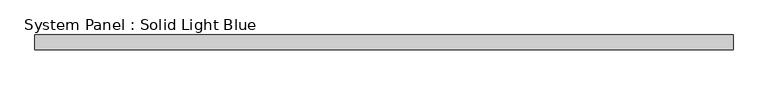
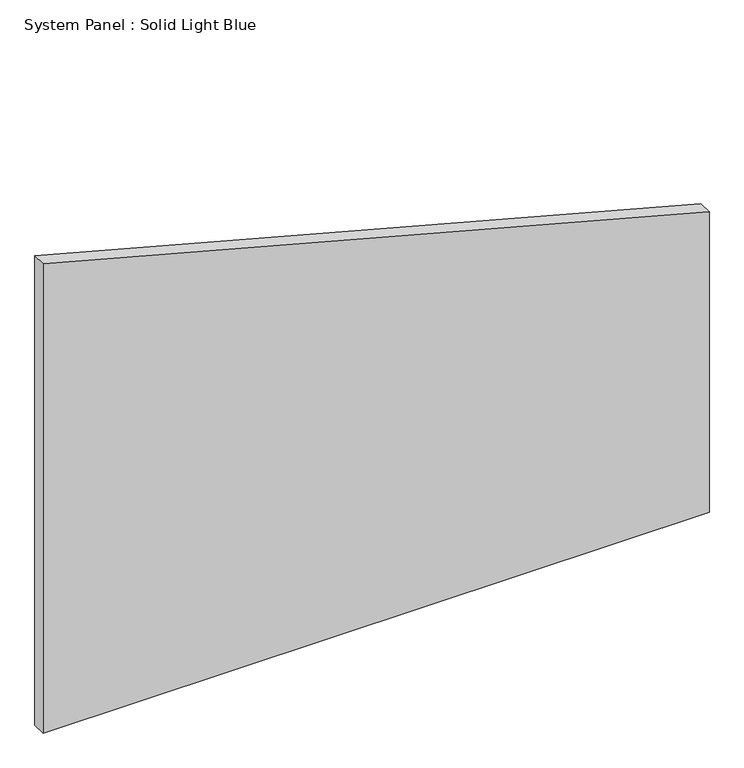
"""IFC4 building model written with IfcOpenShell, lengths in millimetres: plate geometry, System Panel : Solid Light Blue."""

import ifcopenshell
import ifcopenshell.guid

model = None  # the IFC model being written
_history = None  # IfcOwnerHistory: only IFC2X3 demands one
_inside = {}  # id of a spatial element -> (the spatial element, [elements in it])
_under = {}  # id of a project, library or spatial element -> (it, [spatial elements below it])
_declared = {}  # id of a project -> (the project, [libraries it declares])
_typed = {}  # id of a type object -> (the type object, [elements of that type])
_made_of = {}  # id of a material, layer set ... -> (it, [elements and type objects made of it])


def new_model(schema):
    """Start an empty IFC model of exactly this schema.

    Asked for "IFC4X3", IfcOpenShell would pick the latest addendum, in which some entities
    have other attributes; the version numbers below select the first issue.
    IFC2X3 requires an IfcOwnerHistory on every rooted entity: one is made here for all.
    """
    global model, _history
    if schema == "IFC4X3":
        model = ifcopenshell.file(schema_version=(4, 3, 0, 0))
    else:
        model = ifcopenshell.file(schema=schema)
    _inside.clear()
    _under.clear()
    _declared.clear()
    _typed.clear()
    _made_of.clear()
    _history = None
    if model.schema == "IFC2X3":
        org = make("IfcOrganization", Name="unknown")
        user = make(
            "IfcPersonAndOrganization",
            ThePerson=make("IfcPerson", FamilyName="unknown"),
            TheOrganization=org,
        )
        app = make(
            "IfcApplication",
            ApplicationDeveloper=org,
            Version="unknown",
            ApplicationFullName="unknown",
            ApplicationIdentifier="unknown",
        )
        _history = make(
            "IfcOwnerHistory",
            OwningUser=user,
            OwningApplication=app,
            ChangeAction="ADDED",
            CreationDate=0,
        )
    return model


def make(cls, **values):
    """One entity of the class cls with the attributes given. An attribute that is None is left unset."""
    return model.create_entity(
        cls, **{name: value for name, value in values.items() if value is not None}
    )


def rooted(cls, **values):
    """An entity with a GlobalId (a new one), such as an element, a storey or a relation."""
    return make(cls, GlobalId=ifcopenshell.guid.new(), OwnerHistory=_history, **values)


def si_unit(unit_type, name, prefix=None):
    """IfcSIUnit, for example si_unit("LENGTHUNIT", "METRE", prefix="MILLI")."""
    return make("IfcSIUnit", UnitType=unit_type, Prefix=prefix, Name=name)


def assignment(units):
    """IfcUnitAssignment: the units of a project."""
    return None if units is None else make("IfcUnitAssignment", Units=units)


def point(xyz):
    """IfcCartesianPoint."""
    return None if xyz is None else make("IfcCartesianPoint", Coordinates=xyz)


def direction(xyz):
    """IfcDirection."""
    return None if xyz is None else make("IfcDirection", DirectionRatios=xyz)


def frame(location, z_axis=None, x_axis=None):
    """IfcAxis2Placement3D, a coordinate frame: its origin and axes. An axis left out is left unset."""
    return make(
        "IfcAxis2Placement3D",
        Location=point(location),
        Axis=direction(z_axis),
        RefDirection=direction(x_axis),
    )


def origin():
    """The frame at (0, 0, 0) with its axes left unset."""
    return frame((0.0, 0.0, 0.0))


def place(relative_to, where):
    """IfcLocalPlacement: puts the frame where relative to a parent placement (None: the world)."""
    return make(
        "IfcLocalPlacement", PlacementRelTo=relative_to, RelativePlacement=where
    )


def context(
    kind, dimensions, precision=None, world=None, true_north=None, identifier=None
):
    """IfcGeometricRepresentationContext, for example the 3D "Model" context."""
    return make(
        "IfcGeometricRepresentationContext",
        ContextIdentifier=identifier,
        ContextType=kind,
        CoordinateSpaceDimension=dimensions,
        Precision=precision,
        WorldCoordinateSystem=world,
        TrueNorth=true_north,
    )


def project(units=None, contexts=None):
    """IfcProject with its units and contexts."""
    return rooted(
        "IfcProject",
        Name="project",
        RepresentationContexts=contexts,
        UnitsInContext=assignment(units),
    )


def spatial(cls, under=None, at=None, **own):
    """A site, building, storey or space (cls), placed at a placement, below another one or the project."""
    s = rooted(cls, ObjectPlacement=at, **own)
    if under is not None:
        _under.setdefault(under.id(), (under, []))[1].append(s)
    return s


def polyline(points):
    """IfcPolyline through the points."""
    return make("IfcPolyline", Points=[point(p) for p in points])


def outline(outer, holes=None, kind="AREA"):
    """IfcArbitraryClosedProfileDef: a profile drawn as a closed curve; with holes, ...WithVoids."""
    if holes is None:
        return make("IfcArbitraryClosedProfileDef", ProfileType=kind, OuterCurve=outer)
    return make(
        "IfcArbitraryProfileDefWithVoids",
        ProfileType=kind,
        OuterCurve=outer,
        InnerCurves=holes,
    )


def extrude(swept, where, along, depth):
    """IfcExtrudedAreaSolid: the profile swept, set in the frame where, extruded along a direction by depth."""
    return make(
        "IfcExtrudedAreaSolid",
        SweptArea=swept,
        Position=where,
        ExtrudedDirection=direction(along),
        Depth=depth,
    )


def shape(context_of_items, identifier, shape_type, items):
    """IfcShapeRepresentation: the items that make up one representation, for example the "Body"."""
    return make(
        "IfcShapeRepresentation",
        ContextOfItems=context_of_items,
        RepresentationIdentifier=identifier,
        RepresentationType=shape_type,
        Items=items,
    )


def source(mapping_origin, context_of_items, identifier, shape_type, items):
    """IfcRepresentationMap: a shape defined once, which mapped items show again and again."""
    return make(
        "IfcRepresentationMap",
        MappingOrigin=mapping_origin,
        MappedRepresentation=shape(context_of_items, identifier, shape_type, items),
    )


def transform(
    local_origin,
    x_axis=None,
    y_axis=None,
    z_axis=None,
    scale=None,
    scale2=None,
    scale3=None,
    uniform=True,
):
    """IfcCartesianTransformationOperator3D, or its non-uniform kind. x_axis, y_axis, z_axis: its Axis1, 2, 3."""
    if uniform:
        return make(
            "IfcCartesianTransformationOperator3D",
            Axis1=direction(x_axis),
            Axis2=direction(y_axis),
            LocalOrigin=point(local_origin),
            Scale=scale,
            Axis3=direction(z_axis),
        )
    return make(
        "IfcCartesianTransformationOperator3DnonUniform",
        Axis1=direction(x_axis),
        Axis2=direction(y_axis),
        LocalOrigin=point(local_origin),
        Scale=scale,
        Axis3=direction(z_axis),
        Scale2=scale2,
        Scale3=scale3,
    )


def mapped(mapping_source, mapping_target):
    """IfcMappedItem: shows the shape of a source again, moved by a transform."""
    return make(
        "IfcMappedItem", MappingSource=mapping_source, MappingTarget=mapping_target
    )


def made_of(thing, what):
    """Note that an element or type object is made of a material, layer set ...; save() writes the relation."""
    if what is not None:
        _made_of.setdefault(what.id(), (what, []))[1].append(thing)
    return thing


def element(
    cls,
    number,
    at=None,
    inside=None,
    cuts=None,
    type_object=None,
    material=None,
    context=None,
    identifier="Body",
    shape_type=None,
    held_by="IfcProductDefinitionShape",
    body=None,
    shapes=None,
    **own,
):
    """One element of the class cls, such as IfcWall. Its Tag is "e" and its number.

    at: its placement. inside: the storey or other place that contains it. cuts: it is an
    opening in that element (IfcRelVoidsElement). A single representation is given by context,
    identifier, shape_type and body (its items); several are given by shapes. held_by: the class
    of the entity that holds the representations. save() writes the other relations.
    """
    e = rooted(cls, Tag="e%d" % number, ObjectPlacement=at, **own)
    if body is not None:
        shapes = [shape(context, identifier, shape_type, body)]
    if shapes is not None:
        e.Representation = make(held_by, Representations=shapes)
    if inside is not None:
        _inside.setdefault(inside.id(), (inside, []))[1].append(e)
    if cuts is not None:
        rooted(
            "IfcRelVoidsElement", RelatingBuildingElement=cuts, RelatedOpeningElement=e
        )
    if type_object is not None:
        _typed.setdefault(type_object.id(), (type_object, []))[1].append(e)
    return made_of(e, material)


def aggregate(whole, parts):
    """IfcRelAggregates: a whole, such as a stair, and the parts it consists of."""
    return rooted("IfcRelAggregates", RelatingObject=whole, RelatedObjects=parts)


def save(model, path):
    """Write the relations noted so far, then the file.

    IfcRelAggregates (storeys below a building ...), IfcRelContainedInSpatialStructure (elements
    in a storey), IfcRelDefinesByType, IfcRelAssociatesMaterial and IfcRelDeclares: one each for
    every whole, place, type object, material and project.
    """
    for whole, parts in _under.values():
        aggregate(whole, parts)
    for where, things in _inside.values():
        rooted(
            "IfcRelContainedInSpatialStructure",
            RelatedElements=things,
            RelatingStructure=where,
        )
    for kind, things in _typed.values():
        rooted("IfcRelDefinesByType", RelatedObjects=things, RelatingType=kind)
    for what, things in _made_of.values():
        rooted("IfcRelAssociatesMaterial", RelatedObjects=things, RelatingMaterial=what)
    for by, libraries in _declared.values():
        rooted("IfcRelDeclares", RelatingContext=by, RelatedDefinitions=libraries)
    model.write(path)


def system_panel_solid_light_blue_dd9636e9(model_context):
    return source(origin(), model_context, "Body", "SweptSolid", [
        extrude(outline(polyline([(0.0, -1425.0), (0.0, 1425.0), (1358.3643195, 1425.0), (2122.019518, -1425.0), (0.0, -1425.0)])), frame((0.0, -30.0, 0.0), z_axis=(0.0, 1.0, 0.0), x_axis=(0.0, 0.0, 1.0)), (0.0, 0.0, 1.0), 60.0),
    ])


if __name__ == "__main__":
    model = new_model("IFC4")
    model_context = context("Model", 3, world=origin())
    ifc_project = project(units=[si_unit("LENGTHUNIT", "METRE", prefix="MILLI")], contexts=[model_context])
    site = spatial("IfcSite", under=ifc_project)
    building = spatial("IfcBuilding", under=site)
    placement = place(None, origin())
    system_panel_solid_light_blue_shape = system_panel_solid_light_blue_dd9636e9(model_context)
    element("IfcPlate", 1, ObjectType="System Panel : Solid Light Blue", at=placement, inside=building, context=model_context, shape_type="MappedRepresentation", body=[
        mapped(system_panel_solid_light_blue_shape, transform((0.0, 0.0, 0.0), x_axis=(1.0, 0.0, 0.0), y_axis=(0.0, 1.0, 0.0), z_axis=(0.0, 0.0, 1.0))),
    ])
    save(model, "model.ifc")
